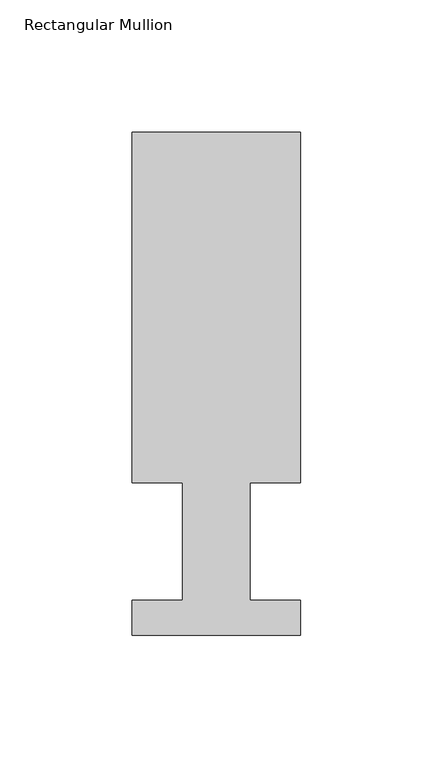
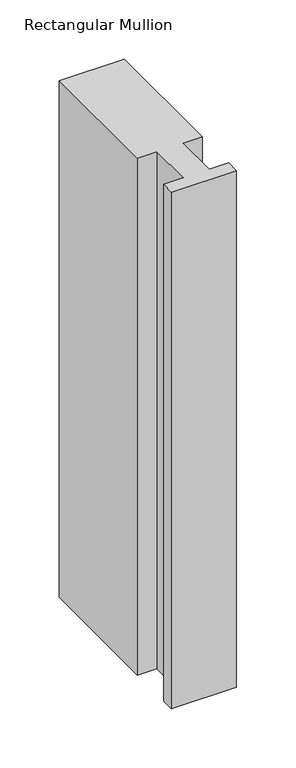
"""IFC4 building model written with IfcOpenShell, lengths in millimetres: member geometry, Rectangular Mullion."""

from ifc_helpers import new_model, si_unit, frame, origin, place, context, project, spatial, polyline, outline, extrude, source, transform, mapped, element, save


def rectangular_mullion_053a3a0a(model_context):
    return source(origin(), model_context, "Body", "SweptSolid", [
        extrude(outline(polyline([(0.0, 189.8022937), (0.0, 57.6460937), (-19.0373, 57.6460937), (-19.0373, 13.1960937), (0.0, 13.1960937), (0.0, 0.0134937), (-63.5, 0.0134937), (-63.5, 13.1960937), (-44.45, 13.1960937), (-44.45, 57.6460937), (-63.5, 57.6460937), (-63.5, 189.8022937), (0.0, 189.8022937)])), frame((0.0, 0.0, -533.4), z_axis=(0.0, 0.0, 1.0), x_axis=(1.0, 0.0, 0.0)), (0.0, 0.0, 1.0), 533.4),
    ])


if __name__ == "__main__":
    model = new_model("IFC4")
    model_context = context("Model", 3, world=origin())
    ifc_project = project(units=[si_unit("LENGTHUNIT", "METRE", prefix="MILLI")], contexts=[model_context])
    site = spatial("IfcSite", under=ifc_project)
    building = spatial("IfcBuilding", under=site)
    placement = place(None, origin())
    rectangular_mullion_shape = rectangular_mullion_053a3a0a(model_context)
    element("IfcMember", 1, ObjectType="Rectangular Mullion", at=placement, inside=building, context=model_context, shape_type="MappedRepresentation", body=[
        mapped(rectangular_mullion_shape, transform((0.0, 0.0, 0.0), x_axis=(1.0, 0.0, 0.0), y_axis=(0.0, 1.0, 0.0), z_axis=(0.0, 0.0, 1.0))),
    ])
    save(model, "model.ifc")
